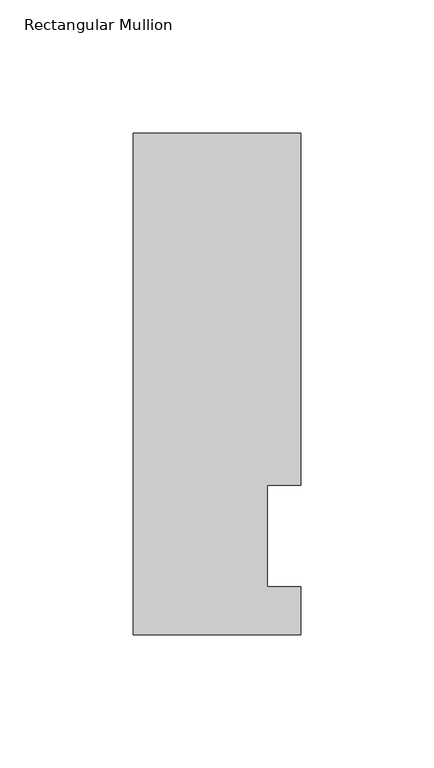
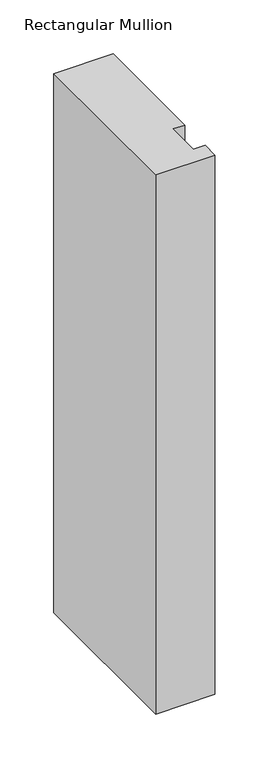
"""IFC4 building model written with IfcOpenShell, lengths in millimetres: member geometry, Rectangular Mullion."""

from ifc_helpers import new_model, si_unit, frame, origin, place, context, project, spatial, polyline, outline, extrude, source, transform, mapped, element, save


def rectangular_mullion_6828072f(model_context):
    return source(origin(), model_context, "Body", "SweptSolid", [
        extrude(outline(polyline([(0.0, 0.5199063), (-63.0936, 0.5199063), (-63.0936, 189.0895062), (0.0, 189.0895062), (0.0, 56.6539063), (-12.6746, 56.6539063), (-12.6746, 18.5539062), (0.0, 18.5539062), (0.0, 0.5199063)])), frame((0.0, 0.0, -609.6), z_axis=(0.0, 0.0, 1.0), x_axis=(1.0, 0.0, 0.0)), (0.0, 0.0, 1.0), 609.6),
    ])


if __name__ == "__main__":
    model = new_model("IFC4")
    model_context = context("Model", 3, world=origin())
    ifc_project = project(units=[si_unit("LENGTHUNIT", "METRE", prefix="MILLI")], contexts=[model_context])
    site = spatial("IfcSite", under=ifc_project)
    building = spatial("IfcBuilding", under=site)
    placement = place(None, origin())
    rectangular_mullion_shape = rectangular_mullion_6828072f(model_context)
    element("IfcMember", 1, ObjectType="Rectangular Mullion", at=placement, inside=building, context=model_context, shape_type="MappedRepresentation", body=[
        mapped(rectangular_mullion_shape, transform((0.0, 0.0, 0.0), x_axis=(1.0, 0.0, 0.0), y_axis=(0.0, 1.0, 0.0), z_axis=(0.0, 0.0, 1.0))),
    ])
    save(model, "model.ifc")
